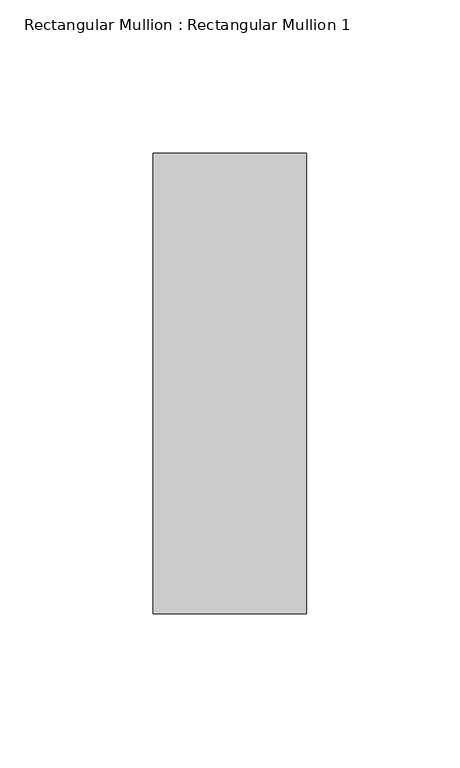
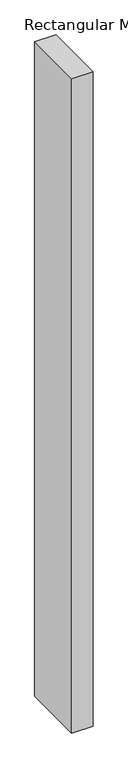
"""IFC4 building model written with IfcOpenShell, lengths in millimetres: member geometry, Rectangular Mullion : Rectangular Mullion 1."""

from ifc_helpers import new_model, si_unit, frame, origin, place, context, project, spatial, polyline, outline, extrude, source, transform, mapped, element, save


def rectangular_mullion_rectangular_mullion_1_d5096e64(model_context):
    return source(origin(), model_context, "Body", "SweptSolid", [
        extrude(outline(polyline([(25.0, 75.0), (25.0, -75.0), (-25.0, -75.0), (-25.0, 75.0), (25.0, 75.0)])), frame((0.0, 0.0, -1620.0), z_axis=(0.0, 0.0, 1.0), x_axis=(1.0, 0.0, 0.0)), (0.0, 0.0, 1.0), 1620.0),
    ])


if __name__ == "__main__":
    model = new_model("IFC4")
    model_context = context("Model", 3, world=origin())
    ifc_project = project(units=[si_unit("LENGTHUNIT", "METRE", prefix="MILLI")], contexts=[model_context])
    site = spatial("IfcSite", under=ifc_project)
    building = spatial("IfcBuilding", under=site)
    placement = place(None, origin())
    rectangular_mullion_rectangular_mullion_1_shape = rectangular_mullion_rectangular_mullion_1_d5096e64(model_context)
    element("IfcMember", 1, ObjectType="Rectangular Mullion : Rectangular Mullion 1", at=placement, inside=building, context=model_context, shape_type="MappedRepresentation", body=[
        mapped(rectangular_mullion_rectangular_mullion_1_shape, transform((0.0, 0.0, 0.0), x_axis=(1.0, 0.0, 0.0), y_axis=(0.0, 1.0, 0.0), z_axis=(0.0, 0.0, 1.0))),
    ])
    save(model, "model.ifc")
